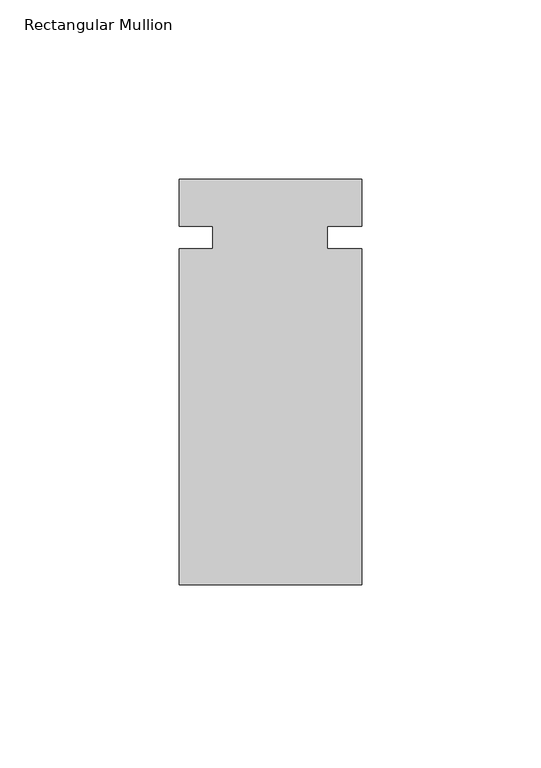
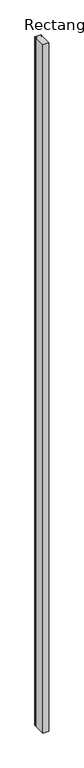
"""IFC4 building model written with IfcOpenShell, lengths in millimetres: member geometry, Rectangular Mullion."""

from ifc_helpers import new_model, si_unit, frame, origin, place, context, project, spatial, polyline, outline, extrude, source, transform, mapped, element, save


def rectangular_mullion_cd3515c5(model_context):
    return source(origin(), model_context, "Body", "SweptSolid", [
        extrude(outline(polyline([(20.1690369, -46.2478251), (-30.6309631, -46.2478251), (-30.6309631, 47.4448449), (-21.2964631, 47.4448449), (-21.2964631, 53.7948449), (-30.6309631, 53.7948449), (-30.6309631, 66.8329749), (20.1690369, 66.8329749), (20.1690369, 53.7700402), (10.6440369, 53.7700402), (10.6440369, 47.4324425), (20.1690369, 47.4324425), (20.1690369, -46.2478251)])), frame((0.0, 0.0, -6000.75), z_axis=(0.0, 0.0, 1.0), x_axis=(1.0, 0.0, 0.0)), (0.0, 0.0, 1.0), 6000.75),
    ])


if __name__ == "__main__":
    model = new_model("IFC4")
    model_context = context("Model", 3, world=origin())
    ifc_project = project(units=[si_unit("LENGTHUNIT", "METRE", prefix="MILLI")], contexts=[model_context])
    site = spatial("IfcSite", under=ifc_project)
    building = spatial("IfcBuilding", under=site)
    placement = place(None, origin())
    rectangular_mullion_shape = rectangular_mullion_cd3515c5(model_context)
    element("IfcMember", 1, ObjectType="Rectangular Mullion", at=placement, inside=building, context=model_context, shape_type="MappedRepresentation", body=[
        mapped(rectangular_mullion_shape, transform((0.0, 0.0, 0.0), x_axis=(1.0, 0.0, 0.0), y_axis=(0.0, 1.0, 0.0), z_axis=(0.0, 0.0, 1.0))),
    ])
    save(model, "model.ifc")
